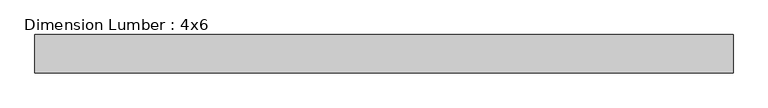
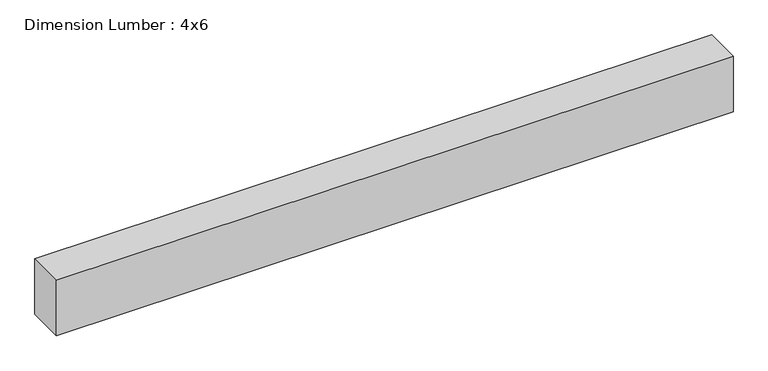
"""IFC4 building model written with IfcOpenShell, lengths in millimetres: beam geometry, Dimension Lumber : 4x6."""

from ifc_helpers import new_model, si_unit, frame, origin, place, context, project, spatial, polyline, outline, extrude, source, transform, mapped, element, save


def dimension_lumber_4x6_8f8bf6a7(model_context):
    return source(origin(), model_context, "Body", "SweptSolid", [
        extrude(outline(polyline([(806.6418581, -44.45), (-806.6418581, -44.45), (-806.6418581, 44.45), (806.6418581, 44.45), (806.6418581, -44.45)])), frame((0.0, 0.0, -69.85), z_axis=(0.0, 0.0, 1.0), x_axis=(1.0, 0.0, 0.0)), (0.0, 0.0, 1.0), 139.7),
    ])


if __name__ == "__main__":
    model = new_model("IFC4")
    model_context = context("Model", 3, world=origin())
    ifc_project = project(units=[si_unit("LENGTHUNIT", "METRE", prefix="MILLI")], contexts=[model_context])
    site = spatial("IfcSite", under=ifc_project)
    building = spatial("IfcBuilding", under=site)
    placement = place(None, origin())
    dimension_lumber_4x6_shape = dimension_lumber_4x6_8f8bf6a7(model_context)
    element("IfcBeam", 1, ObjectType="Dimension Lumber : 4x6", at=placement, inside=building, context=model_context, shape_type="MappedRepresentation", body=[
        mapped(dimension_lumber_4x6_shape, transform((0.0, 0.0, 0.0), x_axis=(1.0, 0.0, 0.0), y_axis=(0.0, 1.0, 0.0), z_axis=(0.0, 0.0, 1.0))),
    ])
    save(model, "model.ifc")
